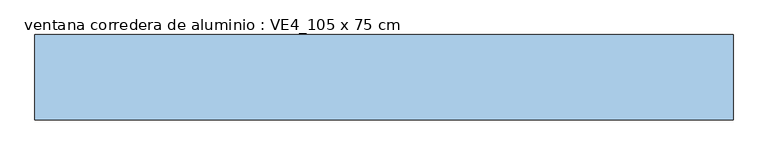
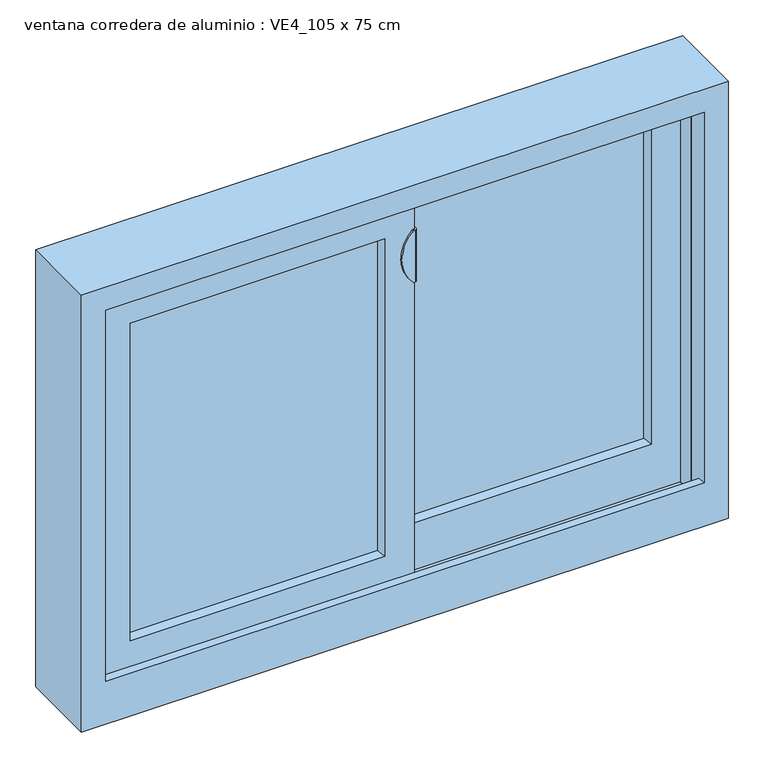
"""IFC4 building model written with IfcOpenShell, lengths in millimetres: window geometry, ventana corredera de aluminio : VE4_105 x 75 cm."""

from ifc_helpers import new_model, si_unit, point, frame, frame_2d, origin, place, context, project, spatial, polyline, circle_curve, trimmed, segment, composite_curve, outline, extrude, faceted_brep, source, transform, mapped, element, save
from ifc_brep_helpers import plane_surface, cylinder_surface, advanced_brep


def ventana_corredera_de_aluminio_ve4_105_x_75_cm_9b0599f9(model_context):
    return source(origin(), model_context, "Body", "SolidModel", [
        extrude(outline(composite_curve([segment(polyline([(47.4, 964.0989222), (47.4, 986.3239222)]), True, "CONTINUOUS"), segment(trimmed(circle_curve(frame_2d((58.5125, 986.3239222)), 11.1125), [point((47.4, 986.3239222))], [point((69.625, 986.3239222))], False, "CARTESIAN"), True, "CONTINUOUS"), segment(polyline([(69.625, 986.3239222), (69.625, 964.0989222), (47.4, 964.0989222)]), True, "CONTINUOUS")], self_intersect=False)), frame((23.4979078, 0.0, 0.0), z_axis=(1.0, 0.0, 0.0), x_axis=(0.0, 1.0, 0.0)), (0.0, 0.0, 1.0), 1.5875),
        extrude(outline(composite_curve([segment(polyline([(69.625, 1624.5884078), (69.625, 1602.3634078)]), True, "CONTINUOUS"), segment(trimmed(circle_curve(frame_2d((58.5125, 1602.3634078)), 11.1125), [point((69.625, 1602.3634078))], [point((47.4, 1602.3634078))], False, "CARTESIAN"), True, "CONTINUOUS"), segment(polyline([(47.4, 1602.3634078), (47.4, 1624.5884078), (69.625, 1624.5884078)]), True, "CONTINUOUS")], self_intersect=False)), frame((23.4979078, 0.0, 0.0), z_axis=(1.0, 0.0, 0.0), x_axis=(0.0, 1.0, 0.0)), (0.0, 0.0, 1.0), 1.5875),
        advanced_brep(
        [(26.6729078, 76.2825262, 1494.7265), (26.6729078, 76.2825262, 1570.9265), (26.6729078, 69.9325262, 1577.2765), (26.6729078, 36.2674819, 1577.2765), (26.6729078, 35.0075262, 1577.2765), (26.6729078, 35.0075262, 1488.3765), (26.6729078, 36.2674819, 1488.3765), (26.6729078, 69.9325262, 1488.3765), (23.4979078, 76.2825262, 1494.7265), (23.4979078, 69.9325262, 1488.3765), (23.4979078, 35.0075262, 1488.3765), (23.4979078, 35.0075262, 1577.2765), (23.4979078, 69.9325262, 1577.2765), (23.4979078, 76.2825262, 1570.9265), (22.1214736, 35.0075262, 1577.2765), (22.1214736, 31.8325262, 1577.2765), (22.4630372, 31.8325262, 1577.2765), (23.4979078, 31.8325262, 1577.2765), (19.87994, 31.8325262, 1489.3029111), (22.1214736, 31.8325262, 1488.3765), (22.4630372, 31.8325262, 1488.3765), (23.4979078, 31.8325262, 1488.3765), (19.87994, 31.8325262, 1576.3500889), (22.1214736, 35.0075262, 1488.3765), (19.87994, 35.0075262, 1489.3029111), (19.87994, 35.0075262, 1576.3500889)],
        [
            (0, 1),
            (1, 2, circle_curve(frame((26.6729078, 69.9325262, 1570.9265), z_axis=(1.0, 0.0, 0.0), x_axis=(0.0, 0.0, -1.0)), 6.35)),
            (2, 3),
            (3, 4),
            (4, 5),
            (5, 6),
            (6, 7),
            (7, 0, circle_curve(frame((26.6729078, 69.9325262, 1494.7265), z_axis=(1.0, 0.0, 0.0), x_axis=(0.0, 0.0, -1.0)), 6.35)),
            (8, 9, circle_curve(frame((23.4979078, 69.9325262, 1494.7265), z_axis=(-1.0, 0.0, 0.0), x_axis=(0.0, 0.0, -1.0)), 6.35)),
            (9, 10),
            (10, 11),
            (11, 12),
            (12, 13, circle_curve(frame((23.4979078, 69.9325262, 1570.9265), z_axis=(-1.0, 0.0, 0.0), x_axis=(0.0, 0.0, -1.0)), 6.35)),
            (13, 8),
            (0, 8),
            (13, 1),
            (12, 2),
            (11, 14),
            (14, 15),
            (15, 16),
            (16, 17),
            (17, 4, circle_curve(frame((23.4979078, 35.0075262, 1577.2765), z_axis=(0.0, 0.0, 1.0), x_axis=(0.0, 1.0, 0.0)), 3.175)),
            (18, 19, circle_curve(frame((22.1214736, 31.8325262, 1491.5515), z_axis=(0.0, -1.0, 0.0), x_axis=(0.0, 0.0, -1.0)), 3.175)),
            (19, 20),
            (20, 21),
            (21, 17),
            (15, 22, circle_curve(frame((22.1214736, 31.8325262, 1574.1015), z_axis=(0.0, -1.0, 0.0), x_axis=(0.0, 0.0, -1.0)), 3.175)),
            (22, 18, circle_curve(frame((63.2669659, 31.8325262, 1532.8265), z_axis=(0.0, -1.0, 0.0), x_axis=(0.0, 0.0, -1.0)), 61.455161)),
            (9, 7),
            (5, 21, circle_curve(frame((23.4979078, 35.0075262, 1488.3765), z_axis=(0.0, 0.0, -1.0), x_axis=(0.0, 1.0, 0.0)), 3.175)),
            (19, 23),
            (23, 10),
            (24, 25, circle_curve(frame((63.2669659, 35.0075262, 1532.8265), z_axis=(0.0, 1.0, 0.0), x_axis=(0.0, 0.0, -1.0)), 61.455161)),
            (25, 14, circle_curve(frame((22.1214736, 35.0075262, 1574.1015), z_axis=(0.0, 1.0, 0.0), x_axis=(0.0, 0.0, -1.0)), 3.175)),
            (23, 24, circle_curve(frame((22.1214736, 35.0075262, 1491.5515), z_axis=(0.0, 1.0, 0.0), x_axis=(0.0, 0.0, -1.0)), 3.175)),
            (18, 24),
            (25, 22),
        ],
        [
            plane_surface(frame((26.6729078, 76.2825262, 1570.9265), z_axis=(1.0, 0.0, 0.0), x_axis=(0.0, 0.0, 1.0))),
            plane_surface(frame((23.4979078, 76.2825262, 1570.9265), z_axis=(-1.0, 0.0, 0.0), x_axis=(0.0, 0.0, -1.0))),
            plane_surface(frame((26.6729078, 76.2825262, 1494.7265), z_axis=(0.0, 1.0, 0.0), x_axis=(-1.0, 0.0, 0.0))),
            cylinder_surface(frame((23.4979078, 69.9325262, 1570.9265), z_axis=(1.0, 0.0, 0.0), x_axis=(0.0, 0.0, -1.0)), 6.35),
            plane_surface(frame((26.6729078, 69.9325262, 1577.2765), z_axis=(0.0, 0.0, 1.0), x_axis=(-1.0, 0.0, 0.0))),
            plane_surface(frame((26.6729078, 31.8325262, 1577.2765), z_axis=(0.0, -1.0, 0.0), x_axis=(-1.0, 0.0, 0.0))),
            plane_surface(frame((26.6729078, 31.8325262, 1488.3765), z_axis=(0.0, 0.0, -1.0), x_axis=(-1.0, 0.0, 0.0))),
            cylinder_surface(frame((23.4979078, 69.9325262, 1494.7265), z_axis=(1.0, 0.0, 0.0), x_axis=(0.0, 0.0, -1.0)), 6.35),
            plane_surface(frame((22.1214736, 35.0075262, 1488.3765), z_axis=(0.0, 1.0, 0.0), x_axis=(-1.0, 0.0, 0.0))),
            cylinder_surface(frame((22.1214736, 35.0075262, 1491.5515), z_axis=(0.0, -1.0, 0.0), x_axis=(0.0, 0.0, -1.0)), 3.175),
            cylinder_surface(frame((22.1214736, 35.0075262, 1574.1015), z_axis=(0.0, -1.0, 0.0), x_axis=(0.0, 0.0, -1.0)), 3.175),
            cylinder_surface(frame((63.2669659, 35.0075262, 1532.8265), z_axis=(0.0, -1.0, 0.0), x_axis=(0.0, 0.0, -1.0)), 61.455161),
            cylinder_surface(frame((23.4979078, 35.0075262, 1577.2765), z_axis=(0.0, 0.0, 1.0), x_axis=(0.0, 1.0, 0.0)), 3.175),
        ],
        [
            (0, [[1, 2, 3, 4, 5, 6, 7, 8]]),
            (1, [[9, 10, 11, 12, 13, 14]]),
            (2, [[-1, 15, -14, 16]]),
            (3, [[-2, -16, -13, 17]]),
            (4, [[-17, -12, 18, 19, 20, 21, 22, -4, -3]]),
            (5, [[23, 24, 25, 26, -21, -20, 27, 28]]),
            (6, [[29, -7, -6, 30, -25, -24, 31, 32, -10]]),
            (7, [[-8, -29, -9, -15]]),
            (8, [[33, 34, -18, -11, -32, 35]]),
            (9, [[-23, 36, -35, -31]]),
            (10, [[-27, -19, -34, 37]]),
            (11, [[-28, -37, -33, -36]]),
            (12, [[-5, -22, -26, -30]]),
        ],
    ),
        extrude(outline(polyline([(-444.0375, 45.8125), (-444.0375, 48.9875), (-17.4625, 48.9875), (-17.4625, 45.8125), (-444.0375, 45.8125)])), frame((0.0, 0.0, 1025.62025), z_axis=(0.0, 0.0, 1.0), x_axis=(1.0, 0.0, 0.0)), (0.0, 0.0, 1.0), 557.9125),
        extrude(outline(polyline([(-444.0375, 68.0375), (-444.0375, 71.2125), (-17.4625, 71.2125), (-17.4625, 68.0375), (-444.0375, 68.0375)])), frame((0.0, 0.0, 1025.62025), z_axis=(0.0, 0.0, 1.0), x_axis=(1.0, 0.0, 0.0)), (0.0, 0.0, 1.0), 557.9125),
        extrude(outline(polyline([(17.4625, 96.6125), (17.4625, 99.7875), (444.0375, 99.7875), (444.0375, 96.6125), (17.4625, 96.6125)])), frame((0.0, 0.0, 1025.62025), z_axis=(0.0, 0.0, 1.0), x_axis=(1.0, 0.0, 0.0)), (0.0, 0.0, 1.0), 557.9125),
        extrude(outline(polyline([(17.4625, 118.8375), (17.4625, 122.0125), (444.0375, 122.0125), (444.0375, 118.8375), (17.4625, 118.8375)])), frame((0.0, 0.0, 1025.62025), z_axis=(0.0, 0.0, 1.0), x_axis=(1.0, 0.0, 0.0)), (0.0, 0.0, 1.0), 557.9125),
        faceted_brep([(-17.693977, 71.4415285, 1025.756477), (-17.693977, 45.5834715, 1025.756477), (-17.693977, 45.5834715, 1583.396523), (-17.693977, 71.4415285, 1583.396523), (-22.1267308, 79.4575262, 1030.1892308), (-30.1427285, 71.4415285, 1038.2052285), (-30.1427285, 71.4415285, 1570.9477715), (-22.1267308, 79.4575262, 1578.9637692), (23.4979078, 79.4575262, 1624.5884078), (23.4979078, 35.0075262, 1624.5884078), (23.4979078, 35.0075262, 964.0989222), (23.4979078, 79.4575262, 953.0162925), (-30.1625, 45.5834715, 1038.225), (-24.0564716, 35.0075262, 1032.1189716), (-24.0564716, 35.0075262, 1577.0340284), (-30.1625, 45.5834715, 1570.928), (-443.806023, 45.5834715, 1583.396523), (-443.806023, 71.4415285, 1583.396523), (-431.3572715, 71.4415285, 1570.9477715), (-439.3732692, 79.4575262, 1578.9637692), (-484.9979078, 79.4575262, 1624.5884078), (-484.9979078, 35.0075262, 1624.5884078), (-437.4435284, 35.0075262, 1577.0340284), (-431.3375, 45.5834715, 1570.928), (-443.806023, 45.5834715, 1025.756477), (-443.806023, 71.4415285, 1025.756477), (-431.3572715, 71.4415285, 1038.2052285), (-439.3732692, 79.4575262, 1030.1892308), (-484.9979078, 79.4575262, 953.0162925), (-484.9979078, 35.0075262, 964.0989222), (-437.4435284, 35.0075262, 1032.1189716), (-431.3375, 45.5834715, 1038.225)], [[[0, 1, 2, 3]], [[4, 5, 6, 7]], [[8, 9, 10, 11]], [[12, 13, 14, 15]], [[3, 2, 16, 17]], [[7, 6, 18, 19]], [[9, 8, 20, 21]], [[15, 14, 22, 23]], [[17, 16, 24, 25]], [[19, 18, 26, 27]], [[21, 20, 28, 29]], [[23, 22, 30, 31]], [[1, 0, 25, 24]], [[0, 3, 17, 25], [6, 5, 26, 18]], [[5, 4, 27, 26]], [[8, 11, 28, 20], [4, 7, 19, 27]], [[10, 9, 21, 29], [14, 13, 30, 22]], [[13, 12, 31, 30]], [[2, 1, 24, 16], [12, 15, 23, 31]], [[29, 28, 11, 10]]]),
        faceted_brep([(17.693977, 122.2415285, 1583.396523), (17.693977, 96.3834715, 1583.396523), (17.693977, 96.3834715, 1025.756477), (17.693977, 122.2415285, 1025.756477), (22.1267308, 130.2575262, 1578.9637692), (30.1427285, 122.2415285, 1570.9477715), (30.1427285, 122.2415285, 1038.2052285), (22.1267308, 130.2575262, 1030.1892308), (-23.4979078, 85.8075262, 1624.5884078), (-23.4979078, 130.2575262, 1624.5884078), (-23.4979078, 130.2575262, 940.35043), (-23.4979078, 85.8075262, 951.4330597), (30.1625, 96.3834715, 1570.928), (24.0564716, 85.8075262, 1577.0340284), (24.0564716, 85.8075262, 1032.1189716), (30.1625, 96.3834715, 1038.225), (443.806023, 96.3834715, 1025.756477), (443.806023, 122.2415285, 1025.756477), (431.3572715, 122.2415285, 1038.2052285), (439.3732692, 130.2575262, 1030.1892308), (437.4435284, 85.8075262, 1032.1189716), (431.3375, 96.3834715, 1038.225), (443.806023, 96.3834715, 1583.396523), (443.806023, 122.2415285, 1583.396523), (431.3572715, 122.2415285, 1570.9477715), (439.3732692, 130.2575262, 1578.9637692), (484.9979078, 130.2575262, 1624.5884078), (484.9979078, 85.8075262, 1624.5884078), (484.9979078, 85.8075262, 951.4330597), (484.9979078, 130.2575262, 940.35043), (437.4435284, 85.8075262, 1577.0340284), (431.3375, 96.3834715, 1570.928)], [[[0, 1, 2, 3]], [[4, 5, 6, 7]], [[8, 9, 10, 11]], [[12, 13, 14, 15]], [[3, 2, 16, 17]], [[7, 6, 18, 19]], [[15, 14, 20, 21]], [[17, 16, 22, 23]], [[19, 18, 24, 25]], [[26, 27, 28, 29]], [[21, 20, 30, 31]], [[1, 0, 23, 22]], [[0, 3, 17, 23], [6, 5, 24, 18]], [[5, 4, 25, 24]], [[10, 9, 26, 29], [4, 7, 19, 25]], [[9, 8, 27, 26]], [[8, 11, 28, 27], [14, 13, 30, 20]], [[13, 12, 31, 30]], [[2, 1, 22, 16], [12, 15, 21, 31]], [[11, 10, 29, 28]]]),
        faceted_brep([(525.0, 149.0, 914.4), (525.0, 20.3998, 914.4), (-525.0, 20.3998, 914.4), (-525.0, 149.0, 914.4), (485.5714091, 54.53105, 1624.9714091), (486.3651591, 55.3248, 1625.7651591), (486.3651591, 55.3248, 957.3971578), (485.5714091, 54.53105, 957.5950619), (485.5714091, 56.11855, 1624.9714091), (485.5714091, 56.11855, 957.1992537), (485.5714091, 131.2672976, 1624.9714091), (485.5714091, 131.2672976, 938.4625665), (-485.5714091, 131.2672976, 1624.9714091), (-485.5714091, 131.2672976, 938.4625665), (-469.4265236, 131.2672976, 938.4625665), (-469.4265236, 131.2672976, 1608.8265236), (469.4265236, 131.2672976, 1608.8265236), (469.4265236, 131.2672976, 938.4625665), (469.4265236, 134.4702115, 1608.8265236), (469.4265236, 134.4702115, 937.6639904), (486.8890236, 143.9952115, 1626.2890236), (-486.8890236, 143.9952115, 1626.2890236), (-486.8890236, 143.9952115, 935.2891412), (-499.6666015, 143.9952115, 935.2891412), (-499.6666015, 143.9952115, 1639.0666015), (499.6666015, 143.9952115, 1639.0666015), (499.6666015, 143.9952115, 935.2891412), (486.8890236, 143.9952115, 935.2891412), (501.0076305, 149.0, 1640.4076305), (501.0076305, 149.0, 934.0413073), (-525.0, 149.0, 1664.4), (525.0, 149.0, 1664.4), (-501.0076305, 149.0, 1640.4076305), (-501.0076305, 149.0, 934.0413073), (525.0, 20.3998, 1664.4), (-525.0, 20.3998, 1664.4), (485.5714091, 20.3998, 1624.9714091), (485.5714091, 20.3998, 988.684272), (-485.5714091, 20.3998, 988.684272), (-485.5714091, 20.3998, 1624.9714091), (485.5714091, 33.5595992, 962.8238318), (485.5714091, 33.5595992, 988.684272), (-485.5714091, 54.53105, 1624.9714091), (-486.3651591, 55.3248, 1625.7651591), (-485.5714091, 56.11855, 1624.9714091), (-469.4265236, 134.4702115, 1608.8265236), (-485.5714091, 54.53105, 957.5950619), (-486.3651591, 55.3248, 957.3971578), (-485.5714091, 56.11855, 957.1992537), (-469.4265236, 134.4702115, 937.6639904), (-485.5714091, 33.5595992, 988.684272), (-485.5714091, 33.5595992, 962.8238318), (-486.8890236, 134.4702115, 937.6639904), (486.8890236, 134.4702115, 937.6639904), (-486.8890236, 134.4702115, 1626.2890236), (486.8890236, 134.4702115, 1626.2890236)], [[[0, 1, 2, 3]], [[4, 5, 6, 7]], [[5, 8, 9, 6]], [[8, 10, 11, 9]], [[10, 12, 13, 14, 15, 16, 17, 11]], [[16, 18, 19, 17]], [[20, 21, 22, 23, 24, 25, 26, 27]], [[25, 28, 29, 26]], [[0, 3, 30, 31], [32, 33, 29, 28]], [[34, 1, 0, 31]], [[2, 1, 34, 35], [36, 37, 38, 39]], [[36, 4, 7, 40, 41, 37]], [[5, 4, 42, 43]], [[8, 5, 43, 44]], [[10, 8, 44, 12]], [[16, 15, 45, 18]], [[25, 24, 32, 28]], [[31, 30, 35, 34]], [[36, 39, 42, 4]], [[43, 42, 46, 47]], [[44, 43, 47, 48]], [[12, 44, 48, 13]], [[45, 15, 14, 49]], [[32, 24, 23, 33]], [[30, 3, 2, 35]], [[42, 39, 38, 50, 51, 46]], [[40, 51, 50, 41]], [[38, 37, 41, 50]], [[29, 33, 23, 22, 52, 49, 14, 13, 48, 47, 46, 51, 40, 7, 6, 9, 11, 17, 19, 53, 27, 26]], [[18, 45, 49, 52, 54, 55, 53, 19]], [[55, 20, 27, 53]], [[21, 20, 55, 54]], [[21, 54, 52, 22]]]),
    ])


if __name__ == "__main__":
    model = new_model("IFC4")
    model_context = context("Model", 3, world=origin())
    ifc_project = project(units=[si_unit("LENGTHUNIT", "METRE", prefix="MILLI")], contexts=[model_context])
    site = spatial("IfcSite", under=ifc_project)
    building = spatial("IfcBuilding", under=site)
    placement = place(None, origin())
    ventana_corredera_de_aluminio_ve4_105_x_75_cm_shape = ventana_corredera_de_aluminio_ve4_105_x_75_cm_9b0599f9(model_context)
    element("IfcWindow", 1, ObjectType="ventana corredera de aluminio : VE4_105 x 75 cm", at=placement, inside=building, context=model_context, shape_type="MappedRepresentation", body=[
        mapped(ventana_corredera_de_aluminio_ve4_105_x_75_cm_shape, transform((0.0, 0.0, 0.0), x_axis=(1.0, 0.0, 0.0), y_axis=(0.0, 1.0, 0.0), z_axis=(0.0, 0.0, 1.0))),
    ])
    save(model, "model.ifc")
